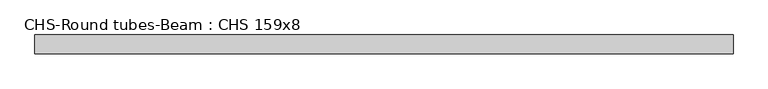
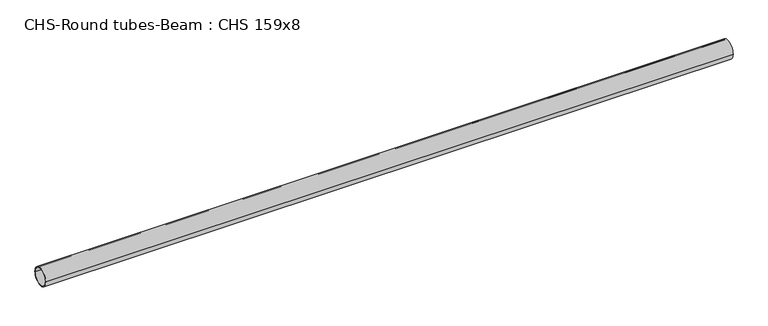
"""IFC4 building model written with IfcOpenShell, lengths in millimetres: beam geometry, CHS-Round tubes-Beam : CHS 159x8."""

from ifc_helpers import new_model, si_unit, point, frame, origin, origin_2d, place, context, project, spatial, circle_curve, trimmed, segment, composite_curve, outline, extrude, source, transform, mapped, element, save


def chs_round_tubes_beam_chs_159x8_078d1bb5(model_context):
    return source(origin(), model_context, "Body", "SweptSolid", [
        extrude(outline(composite_curve([segment(trimmed(circle_curve(origin_2d(), 79.5), [point((79.5, 0.0))], [point((-79.5, 0.0))], False, "CARTESIAN"), True, "CONTINUOUS"), segment(trimmed(circle_curve(origin_2d(), 79.5), [point((-79.5, 0.0))], [point((79.5, 0.0))], False, "CARTESIAN"), True, "CONTINUOUS")], self_intersect=False), holes=[composite_curve([segment(trimmed(circle_curve(origin_2d(), 71.5), [point((71.5, 0.0))], [point((-71.5, 0.0))], True, "CARTESIAN"), True, "CONTINUOUS"), segment(trimmed(circle_curve(origin_2d(), 71.5), [point((-71.5, 0.0))], [point((71.5, 0.0))], True, "CARTESIAN"), True, "CONTINUOUS")], self_intersect=False)]), frame((-2956.7592761, 0.0, 0.0), z_axis=(1.0, 0.0, 0.0), x_axis=(0.0, 1.0, 0.0)), (0.0, 0.0, 1.0), 5913.5185523),
    ])


if __name__ == "__main__":
    model = new_model("IFC4")
    model_context = context("Model", 3, world=origin())
    ifc_project = project(units=[si_unit("LENGTHUNIT", "METRE", prefix="MILLI")], contexts=[model_context])
    site = spatial("IfcSite", under=ifc_project)
    building = spatial("IfcBuilding", under=site)
    placement = place(None, origin())
    chs_round_tubes_beam_chs_159x8_shape = chs_round_tubes_beam_chs_159x8_078d1bb5(model_context)
    element("IfcBeam", 1, ObjectType="CHS-Round tubes-Beam : CHS 159x8", at=placement, inside=building, context=model_context, shape_type="MappedRepresentation", body=[
        mapped(chs_round_tubes_beam_chs_159x8_shape, transform((0.0, 0.0, 0.0), x_axis=(1.0, 0.0, 0.0), y_axis=(0.0, 1.0, 0.0), z_axis=(0.0, 0.0, 1.0))),
    ])
    save(model, "model.ifc")
